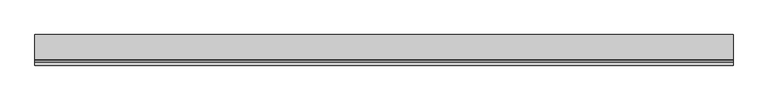
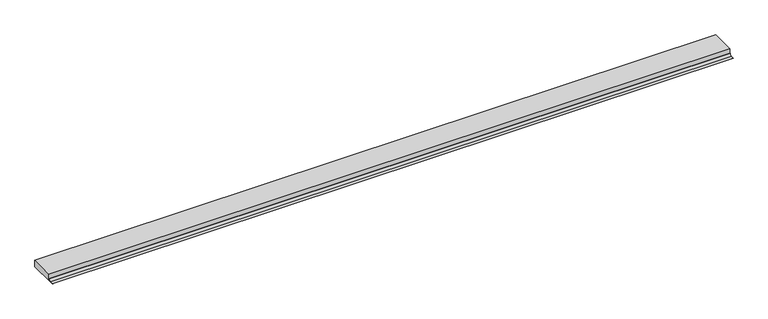
"""IFC4 building model written with IfcOpenShell, lengths in millimetres: proxy geometry."""

import ifcopenshell
import ifcopenshell.guid

model = None  # the IFC model being written
_history = None  # IfcOwnerHistory: only IFC2X3 demands one
_inside = {}  # id of a spatial element -> (the spatial element, [elements in it])
_under = {}  # id of a project, library or spatial element -> (it, [spatial elements below it])
_declared = {}  # id of a project -> (the project, [libraries it declares])
_typed = {}  # id of a type object -> (the type object, [elements of that type])
_made_of = {}  # id of a material, layer set ... -> (it, [elements and type objects made of it])


def new_model(schema):
    """Start an empty IFC model of exactly this schema.

    Asked for "IFC4X3", IfcOpenShell would pick the latest addendum, in which some entities
    have other attributes; the version numbers below select the first issue.
    IFC2X3 requires an IfcOwnerHistory on every rooted entity: one is made here for all.
    """
    global model, _history
    if schema == "IFC4X3":
        model = ifcopenshell.file(schema_version=(4, 3, 0, 0))
    else:
        model = ifcopenshell.file(schema=schema)
    _inside.clear()
    _under.clear()
    _declared.clear()
    _typed.clear()
    _made_of.clear()
    _history = None
    if model.schema == "IFC2X3":
        org = make("IfcOrganization", Name="unknown")
        user = make(
            "IfcPersonAndOrganization",
            ThePerson=make("IfcPerson", FamilyName="unknown"),
            TheOrganization=org,
        )
        app = make(
            "IfcApplication",
            ApplicationDeveloper=org,
            Version="unknown",
            ApplicationFullName="unknown",
            ApplicationIdentifier="unknown",
        )
        _history = make(
            "IfcOwnerHistory",
            OwningUser=user,
            OwningApplication=app,
            ChangeAction="ADDED",
            CreationDate=0,
        )
    return model


def make(cls, **values):
    """One entity of the class cls with the attributes given. An attribute that is None is left unset."""
    return model.create_entity(
        cls, **{name: value for name, value in values.items() if value is not None}
    )


def rooted(cls, **values):
    """An entity with a GlobalId (a new one), such as an element, a storey or a relation."""
    return make(cls, GlobalId=ifcopenshell.guid.new(), OwnerHistory=_history, **values)


def si_unit(unit_type, name, prefix=None):
    """IfcSIUnit, for example si_unit("LENGTHUNIT", "METRE", prefix="MILLI")."""
    return make("IfcSIUnit", UnitType=unit_type, Prefix=prefix, Name=name)


def assignment(units):
    """IfcUnitAssignment: the units of a project."""
    return None if units is None else make("IfcUnitAssignment", Units=units)


def point(xyz):
    """IfcCartesianPoint."""
    return None if xyz is None else make("IfcCartesianPoint", Coordinates=xyz)


def direction(xyz):
    """IfcDirection."""
    return None if xyz is None else make("IfcDirection", DirectionRatios=xyz)


def frame(location, z_axis=None, x_axis=None):
    """IfcAxis2Placement3D, a coordinate frame: its origin and axes. An axis left out is left unset."""
    return make(
        "IfcAxis2Placement3D",
        Location=point(location),
        Axis=direction(z_axis),
        RefDirection=direction(x_axis),
    )


def frame_2d(location, x_axis=None):
    """IfcAxis2Placement2D, a coordinate frame in the plane: its origin and x axis."""
    return make(
        "IfcAxis2Placement2D", Location=point(location), RefDirection=direction(x_axis)
    )


def origin():
    """The frame at (0, 0, 0) with its axes left unset."""
    return frame((0.0, 0.0, 0.0))


def place(relative_to, where):
    """IfcLocalPlacement: puts the frame where relative to a parent placement (None: the world)."""
    return make(
        "IfcLocalPlacement", PlacementRelTo=relative_to, RelativePlacement=where
    )


def context(
    kind, dimensions, precision=None, world=None, true_north=None, identifier=None
):
    """IfcGeometricRepresentationContext, for example the 3D "Model" context."""
    return make(
        "IfcGeometricRepresentationContext",
        ContextIdentifier=identifier,
        ContextType=kind,
        CoordinateSpaceDimension=dimensions,
        Precision=precision,
        WorldCoordinateSystem=world,
        TrueNorth=true_north,
    )


def project(units=None, contexts=None):
    """IfcProject with its units and contexts."""
    return rooted(
        "IfcProject",
        Name="project",
        RepresentationContexts=contexts,
        UnitsInContext=assignment(units),
    )


def spatial(cls, under=None, at=None, **own):
    """A site, building, storey or space (cls), placed at a placement, below another one or the project."""
    s = rooted(cls, ObjectPlacement=at, **own)
    if under is not None:
        _under.setdefault(under.id(), (under, []))[1].append(s)
    return s


def polyline(points):
    """IfcPolyline through the points."""
    return make("IfcPolyline", Points=[point(p) for p in points])


def circle_curve(where, radius):
    """IfcCircle in the frame where."""
    return make("IfcCircle", Position=where, Radius=radius)


def trimmed(basis, trim1, trim2, sense, master):
    """IfcTrimmedCurve: the piece of a basis curve between two trims."""
    return make(
        "IfcTrimmedCurve",
        BasisCurve=basis,
        Trim1=trim1,
        Trim2=trim2,
        SenseAgreement=sense,
        MasterRepresentation=master,
    )


def segment(curve, same_sense, transition):
    """IfcCompositeCurveSegment."""
    return make(
        "IfcCompositeCurveSegment",
        Transition=transition,
        SameSense=same_sense,
        ParentCurve=curve,
    )


def composite_curve(segments, self_intersect=None):
    """IfcCompositeCurve: segments joined end to end."""
    return make("IfcCompositeCurve", Segments=segments, SelfIntersect=self_intersect)


def outline(outer, holes=None, kind="AREA"):
    """IfcArbitraryClosedProfileDef: a profile drawn as a closed curve; with holes, ...WithVoids."""
    if holes is None:
        return make("IfcArbitraryClosedProfileDef", ProfileType=kind, OuterCurve=outer)
    return make(
        "IfcArbitraryProfileDefWithVoids",
        ProfileType=kind,
        OuterCurve=outer,
        InnerCurves=holes,
    )


def extrude(swept, where, along, depth):
    """IfcExtrudedAreaSolid: the profile swept, set in the frame where, extruded along a direction by depth."""
    return make(
        "IfcExtrudedAreaSolid",
        SweptArea=swept,
        Position=where,
        ExtrudedDirection=direction(along),
        Depth=depth,
    )


def shape(context_of_items, identifier, shape_type, items):
    """IfcShapeRepresentation: the items that make up one representation, for example the "Body"."""
    return make(
        "IfcShapeRepresentation",
        ContextOfItems=context_of_items,
        RepresentationIdentifier=identifier,
        RepresentationType=shape_type,
        Items=items,
    )


def source(mapping_origin, context_of_items, identifier, shape_type, items):
    """IfcRepresentationMap: a shape defined once, which mapped items show again and again."""
    return make(
        "IfcRepresentationMap",
        MappingOrigin=mapping_origin,
        MappedRepresentation=shape(context_of_items, identifier, shape_type, items),
    )


def transform(
    local_origin,
    x_axis=None,
    y_axis=None,
    z_axis=None,
    scale=None,
    scale2=None,
    scale3=None,
    uniform=True,
):
    """IfcCartesianTransformationOperator3D, or its non-uniform kind. x_axis, y_axis, z_axis: its Axis1, 2, 3."""
    if uniform:
        return make(
            "IfcCartesianTransformationOperator3D",
            Axis1=direction(x_axis),
            Axis2=direction(y_axis),
            LocalOrigin=point(local_origin),
            Scale=scale,
            Axis3=direction(z_axis),
        )
    return make(
        "IfcCartesianTransformationOperator3DnonUniform",
        Axis1=direction(x_axis),
        Axis2=direction(y_axis),
        LocalOrigin=point(local_origin),
        Scale=scale,
        Axis3=direction(z_axis),
        Scale2=scale2,
        Scale3=scale3,
    )


def mapped(mapping_source, mapping_target):
    """IfcMappedItem: shows the shape of a source again, moved by a transform."""
    return make(
        "IfcMappedItem", MappingSource=mapping_source, MappingTarget=mapping_target
    )


def made_of(thing, what):
    """Note that an element or type object is made of a material, layer set ...; save() writes the relation."""
    if what is not None:
        _made_of.setdefault(what.id(), (what, []))[1].append(thing)
    return thing


def element(
    cls,
    number,
    at=None,
    inside=None,
    cuts=None,
    type_object=None,
    material=None,
    context=None,
    identifier="Body",
    shape_type=None,
    held_by="IfcProductDefinitionShape",
    body=None,
    shapes=None,
    **own,
):
    """One element of the class cls, such as IfcWall. Its Tag is "e" and its number.

    at: its placement. inside: the storey or other place that contains it. cuts: it is an
    opening in that element (IfcRelVoidsElement). A single representation is given by context,
    identifier, shape_type and body (its items); several are given by shapes. held_by: the class
    of the entity that holds the representations. save() writes the other relations.
    """
    e = rooted(cls, Tag="e%d" % number, ObjectPlacement=at, **own)
    if body is not None:
        shapes = [shape(context, identifier, shape_type, body)]
    if shapes is not None:
        e.Representation = make(held_by, Representations=shapes)
    if inside is not None:
        _inside.setdefault(inside.id(), (inside, []))[1].append(e)
    if cuts is not None:
        rooted(
            "IfcRelVoidsElement", RelatingBuildingElement=cuts, RelatedOpeningElement=e
        )
    if type_object is not None:
        _typed.setdefault(type_object.id(), (type_object, []))[1].append(e)
    return made_of(e, material)


def aggregate(whole, parts):
    """IfcRelAggregates: a whole, such as a stair, and the parts it consists of."""
    return rooted("IfcRelAggregates", RelatingObject=whole, RelatedObjects=parts)


def save(model, path):
    """Write the relations noted so far, then the file.

    IfcRelAggregates (storeys below a building ...), IfcRelContainedInSpatialStructure (elements
    in a storey), IfcRelDefinesByType, IfcRelAssociatesMaterial and IfcRelDeclares: one each for
    every whole, place, type object, material and project.
    """
    for whole, parts in _under.values():
        aggregate(whole, parts)
    for where, things in _inside.values():
        rooted(
            "IfcRelContainedInSpatialStructure",
            RelatedElements=things,
            RelatingStructure=where,
        )
    for kind, things in _typed.values():
        rooted("IfcRelDefinesByType", RelatedObjects=things, RelatingType=kind)
    for what, things in _made_of.values():
        rooted("IfcRelAssociatesMaterial", RelatedObjects=things, RelatingMaterial=what)
    for by, libraries in _declared.values():
        rooted("IfcRelDeclares", RelatingContext=by, RelatedDefinitions=libraries)
    model.write(path)


def plane_surface(at):
    """IfcPlane: the flat surface through the origin of the frame at, square to its z axis."""
    return make("IfcPlane", Position=at)


def revolved_surface(curve, axis_point, axis_direction):
    """IfcSurfaceOfRevolution: the curve turned about the line through axis_point along axis_direction."""
    return make(
        "IfcSurfaceOfRevolution",
        SweptCurve=make("IfcArbitraryOpenProfileDef", ProfileType="CURVE", Curve=curve),
        AxisPosition=make("IfcAxis1Placement", Location=point(axis_point), Axis=direction(axis_direction)),
    )


def advanced_brep(points, edges, surfaces, faces):
    """IfcAdvancedBrep: a solid bounded by faces that lie on surfaces and meet in shared edges.

    An edge is (start, end): straight between two places in points (the first is 0);
    or (start, end, curve); or (start, end, curve, False) where it runs against its curve.
    A face is (place in surfaces, loops), or (place, loops, False) where it looks against
    its surface's normal. A loop lists edges by number (the first is 1), with a minus sign
    where the edge is run from its end to its start. The first loop is the outer one.
    """
    corners = [point(p) for p in points]
    vertices = [make("IfcVertexPoint", VertexGeometry=c) for c in corners]
    made = []
    for start, end, *more in edges:
        made.append(
            make(
                "IfcEdgeCurve",
                EdgeStart=vertices[start],
                EdgeEnd=vertices[end],
                EdgeGeometry=more[0] if more else make("IfcPolyline", Points=[corners[start], corners[end]]),
                SameSense=more[1] if len(more) > 1 else True,
            )
        )
    hull = []
    for where, loops, *sense in faces:
        bounds = []
        for j, loop in enumerate(loops):
            ring = [make("IfcOrientedEdge", EdgeElement=made[abs(k) - 1], Orientation=k > 0) for k in loop]
            bounds.append(
                make(
                    "IfcFaceOuterBound" if j == 0 else "IfcFaceBound",
                    Bound=make("IfcEdgeLoop", EdgeList=ring),
                    Orientation=True,
                )
            )
        hull.append(make("IfcAdvancedFace", Bounds=bounds, FaceSurface=surfaces[where], SameSense=sense[0] if sense else True))
    return make("IfcAdvancedBrep", Outer=make("IfcClosedShell", CfsFaces=hull))


def generic_models_be80f0fe(model_context):
    return source(origin(), model_context, "Body", "SolidModel", [
        advanced_brep(
        [(-10609.0201995, -28236.0259008, 1376.3899251), (-10609.0201995, -28228.2017273, 1384.2140986), (-10609.0201995, -28228.2017273, 1400.0484763), (-10609.0201995, -28142.3538523, 1400.0484763), (-10609.0201995, -28142.3538523, 1376.3887139), (-8209.0201995, -28236.0259008, 1376.3887139), (-8209.0201995, -28142.3538523, 1376.3887139), (-8209.0201995, -28142.3538523, 1400.0484763), (-8209.0201995, -28228.2017273, 1400.0484763), (-8209.0201995, -28228.2017273, 1384.2140986)],
        [
            (0, 1, circle_curve(frame((-10609.0201995, -28236.0259008, 1384.2140986), z_axis=(1.0, 0.0, 0.0), x_axis=(0.0, 0.0, -1.0)), 7.8241735)),
            (1, 2),
            (2, 3),
            (3, 4),
            (4, 0),
            (5, 6),
            (6, 7),
            (7, 8),
            (8, 9),
            (9, 5, circle_curve(frame((-8209.0201995, -28236.0259008, 1384.2140986), z_axis=(-1.0, 0.0, 0.0), x_axis=(0.0, 0.0, -1.0)), 7.8241735)),
            (2, 8),
            (7, 3),
            (4, 6),
            (5, 0),
            (9, 1),
        ],
        [
            plane_surface(frame((-10609.0201995, -26536.75781, 1426.3887139), z_axis=(-1.0, 0.0, 0.0), x_axis=(0.0, -1.0, 0.0))),
            plane_surface(frame((-8209.0201995, -26536.75781, 1426.3887139), z_axis=(1.0, 0.0, 0.0), x_axis=(0.0, -1.0, 0.0))),
            plane_surface(frame((-10609.0201995, -28228.2017273, 1400.0484763), z_axis=(0.0, 0.0, 1.0), x_axis=(1.0, 0.0, 0.0))),
            plane_surface(frame((-10609.0201995, -28142.3538523, 1376.3887139), z_axis=(0.0, 0.0, -1.0), x_axis=(1.0, 0.0, 0.0))),
            plane_surface(frame((-10609.0201995, -28142.3538523, 1400.0484763), z_axis=(0.0, 1.0, 0.0), x_axis=(1.0, 0.0, 0.0))),
            revolved_surface(polyline([(-8209.0201995, -28236.0259008, 1376.3899251), (-10609.0201995, -28236.0259008, 1376.3899251)]), (-10609.0201995, -28236.0259008, 1384.2140986), (1.0, 0.0, 0.0)),
            plane_surface(frame((-10609.0201995, -28228.2017273, 1384.2140986), z_axis=(0.0, -1.0, 0.0), x_axis=(1.0, 0.0, 0.0))),
        ],
        [
            (0, [[1, 2, 3, 4, 5]]),
            (1, [[6, 7, 8, 9, 10]]),
            (2, [[-3, 11, -8, 12]]),
            (3, [[-5, 13, -6, 14]]),
            (4, [[-4, -12, -7, -13]]),
            (5, [[-1, -14, -10, 15]]),
            (6, [[-2, -15, -9, -11]]),
        ],
    ),
        extrude(outline(composite_curve([segment(polyline([(-28236.027112, 1376.3887139), (-28247.7554276, 1376.3887139), (-28247.7554276, 1377.3887139), (-28236.027112, 1377.3887139)]), True, "CONTINUOUS"), segment(trimmed(circle_curve(frame_2d((-28236.027112, 1384.2140986)), 6.8253847), [point((-28236.027112, 1377.3887139))], [point((-28229.2017273, 1384.2140986))], True, "CARTESIAN"), True, "CONTINUOUS"), segment(polyline([(-28229.2017273, 1384.2140986), (-28228.2017273, 1384.2140986)]), True, "CONTINUOUS"), segment(trimmed(circle_curve(frame_2d((-28236.027112, 1384.2140986)), 7.8253847), [point((-28228.2017273, 1384.2140986))], [point((-28236.027112, 1376.3887139))], False, "CARTESIAN"), True, "CONTINUOUS")], self_intersect=False)), frame((-10609.0201995, 0.0, 0.0), z_axis=(1.0, 0.0, 0.0), x_axis=(0.0, 1.0, 0.0)), (0.0, 0.0, 1.0), 2400.0),
    ])


if __name__ == "__main__":
    model = new_model("IFC4")
    model_context = context("Model", 3, world=origin())
    ifc_project = project(units=[si_unit("LENGTHUNIT", "METRE", prefix="MILLI")], contexts=[model_context])
    site = spatial("IfcSite", under=ifc_project)
    building = spatial("IfcBuilding", under=site)
    placement = place(None, origin())
    generic_models_shape = generic_models_be80f0fe(model_context)
    element("IfcBuildingElementProxy", 1, Name="Generic Models", at=placement, inside=building, context=model_context, shape_type="MappedRepresentation", body=[
        mapped(generic_models_shape, transform((0.0, 0.0, 0.0), x_axis=(1.0, 0.0, 0.0), y_axis=(0.0, 1.0, 0.0), z_axis=(0.0, 0.0, 1.0))),
    ])
    save(model, "model.ifc")
